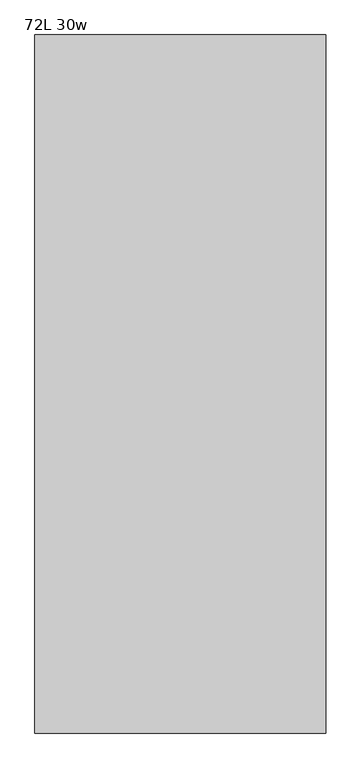
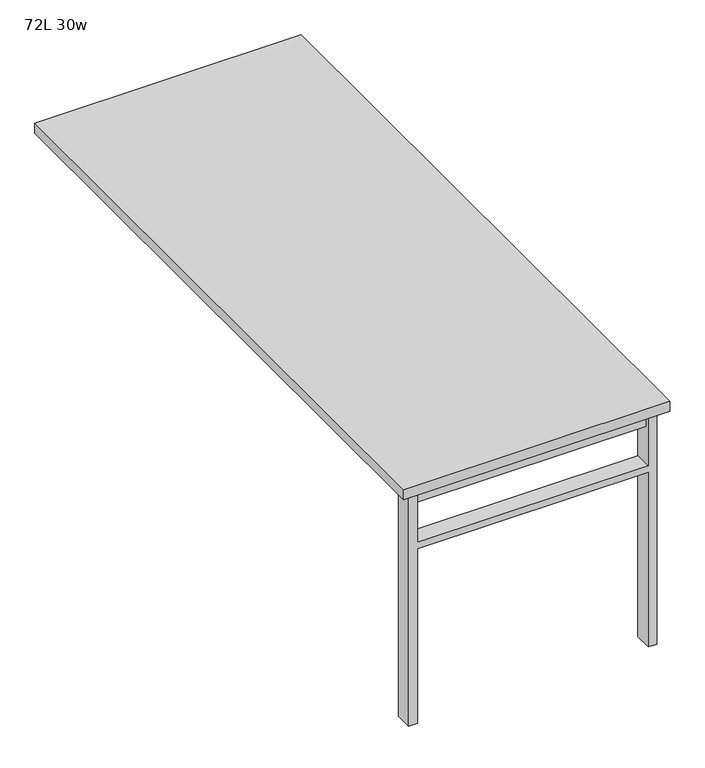
"""IFC4 building model written with IfcOpenShell, lengths in millimetres: furniture geometry, 72L 30w."""

from ifc_helpers import new_model, si_unit, frame, origin, place, context, project, spatial, polyline, outline, extrude, source, transform, mapped, element, save


def furniture_72l_30w_84455b3c(model_context):
    return source(origin(), model_context, "Body", "SweptSolid", [
        extrude(outline(polyline([(-330.2, -854.075), (330.2, -854.075), (330.2, -885.825), (-330.2, -885.825), (-330.2, -854.075)])), frame((0.0, 0.0, 661.9875), z_axis=(0.0, 0.0, 1.0), x_axis=(1.0, 0.0, 0.0)), (0.0, 0.0, 1.0), 44.45),
        extrude(outline(polyline([(528.6375, 330.2), (0.0, 330.2), (0.0, 355.6), (706.4375, 355.6), (706.4375, 330.2), (547.6875, 330.2), (547.6875, -330.2), (706.4375, -330.2), (706.4375, -355.6), (0.0, -355.6), (0.0, -330.2), (528.6375, -330.2), (528.6375, 330.2)])), frame((0.0, -895.35, 0.0), z_axis=(0.0, 1.0, 0.0), x_axis=(0.0, 0.0, 1.0)), (0.0, 0.0, 1.0), 50.8),
        extrude(outline(polyline([(-381.0, -914.4), (-381.0, 914.4), (381.0, 914.4), (381.0, -914.4), (-381.0, -914.4)])), frame((0.0, 0.0, 706.4375), z_axis=(0.0, 0.0, 1.0), x_axis=(1.0, 0.0, 0.0)), (0.0, 0.0, 1.0), 30.1625),
    ])


if __name__ == "__main__":
    model = new_model("IFC4")
    model_context = context("Model", 3, world=origin())
    ifc_project = project(units=[si_unit("LENGTHUNIT", "METRE", prefix="MILLI")], contexts=[model_context])
    site = spatial("IfcSite", under=ifc_project)
    building = spatial("IfcBuilding", under=site)
    placement = place(None, origin())
    furniture_72l_30w_shape = furniture_72l_30w_84455b3c(model_context)
    element("IfcFurniture", 1, ObjectType="72L 30w", at=placement, inside=building, context=model_context, shape_type="MappedRepresentation", body=[
        mapped(furniture_72l_30w_shape, transform((0.0, 0.0, 0.0), x_axis=(1.0, 0.0, 0.0), y_axis=(0.0, 1.0, 0.0), z_axis=(0.0, 0.0, 1.0))),
    ])
    save(model, "model.ifc")
